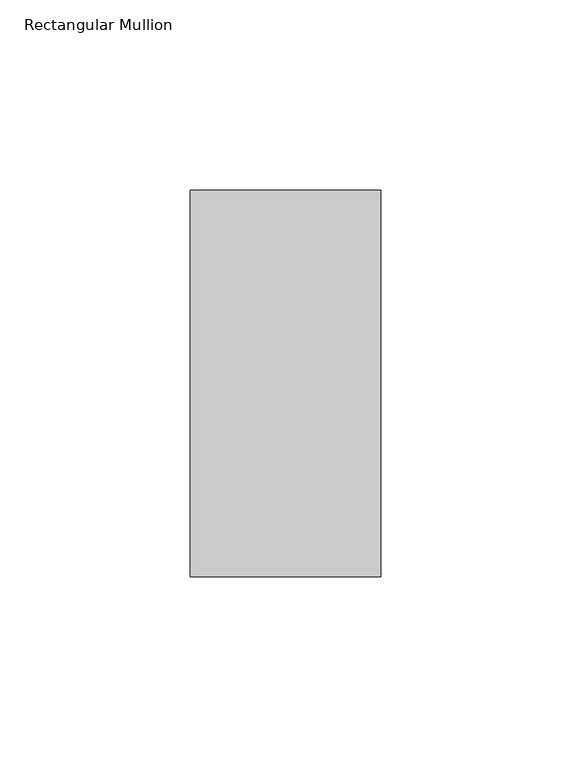
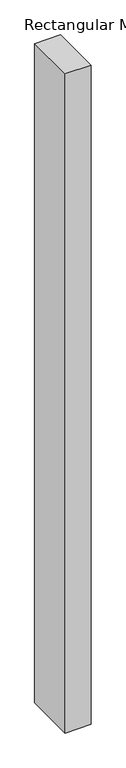
"""IFC4 building model written with IfcOpenShell, lengths in millimetres: member geometry, Rectangular Mullion."""

from ifc_helpers import new_model, si_unit, frame, origin, place, context, project, spatial, polyline, outline, extrude, source, transform, mapped, element, save


def rectangular_mullion_7532d2e8(model_context):
    return source(origin(), model_context, "Body", "SweptSolid", [
        extrude(outline(polyline([(0.0, 50.8), (0.0, -50.8), (-50.0, -50.8), (-50.0, 50.8), (0.0, 50.8)])), frame((0.0, 0.0, -1340.0), z_axis=(0.0, 0.0, 1.0), x_axis=(1.0, 0.0, 0.0)), (0.0, 0.0, 1.0), 1340.0),
    ])


if __name__ == "__main__":
    model = new_model("IFC4")
    model_context = context("Model", 3, world=origin())
    ifc_project = project(units=[si_unit("LENGTHUNIT", "METRE", prefix="MILLI")], contexts=[model_context])
    site = spatial("IfcSite", under=ifc_project)
    building = spatial("IfcBuilding", under=site)
    placement = place(None, origin())
    rectangular_mullion_shape = rectangular_mullion_7532d2e8(model_context)
    element("IfcMember", 1, ObjectType="Rectangular Mullion", at=placement, inside=building, context=model_context, shape_type="MappedRepresentation", body=[
        mapped(rectangular_mullion_shape, transform((0.0, 0.0, 0.0), x_axis=(1.0, 0.0, 0.0), y_axis=(0.0, 1.0, 0.0), z_axis=(0.0, 0.0, 1.0))),
    ])
    save(model, "model.ifc")
